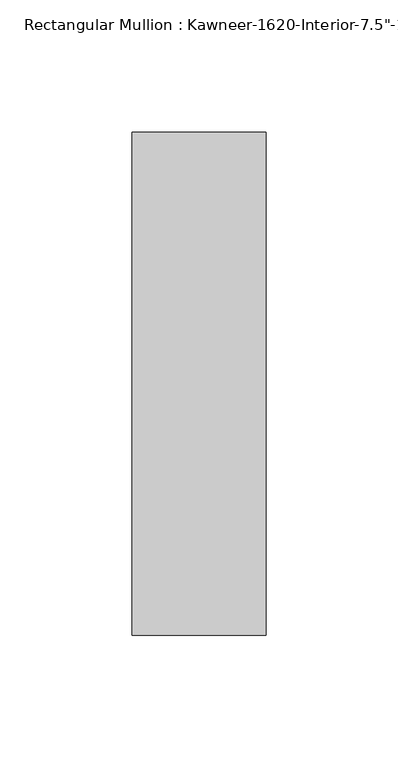
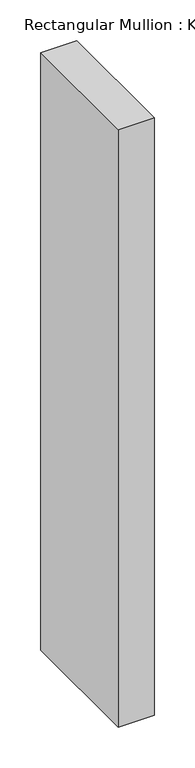
"""IFC4 building model written with IfcOpenShell, lengths in millimetres: member geometry."""

from ifc_helpers import new_model, si_unit, frame, origin, place, context, project, spatial, polyline, outline, extrude, source, transform, mapped, element, save


def member_b00c4f61(model_context):
    return source(origin(), model_context, "Body", "SweptSolid", [
        extrude(outline(polyline([(25.4, -161.925), (-25.4, -161.925), (-25.4, 28.575), (25.4, 28.575), (25.4, -161.925)])), frame((0.0, 0.0, -895.35), z_axis=(0.0, 0.0, 1.0), x_axis=(1.0, 0.0, 0.0)), (0.0, 0.0, 1.0), 895.35),
    ])


if __name__ == "__main__":
    model = new_model("IFC4")
    model_context = context("Model", 3, world=origin())
    ifc_project = project(units=[si_unit("LENGTHUNIT", "METRE", prefix="MILLI")], contexts=[model_context])
    site = spatial("IfcSite", under=ifc_project)
    building = spatial("IfcBuilding", under=site)
    placement = place(None, origin())
    member_shape = member_b00c4f61(model_context)
    element("IfcMember", 1, ObjectType="Rectangular Mullion : Kawneer-1620-Interior-7.5\"-1/4\"Infill", at=placement, inside=building, context=model_context, shape_type="MappedRepresentation", body=[
        mapped(member_shape, transform((0.0, 0.0, 0.0), x_axis=(1.0, 0.0, 0.0), y_axis=(0.0, 1.0, 0.0), z_axis=(0.0, 0.0, 1.0))),
    ])
    save(model, "model.ifc")
